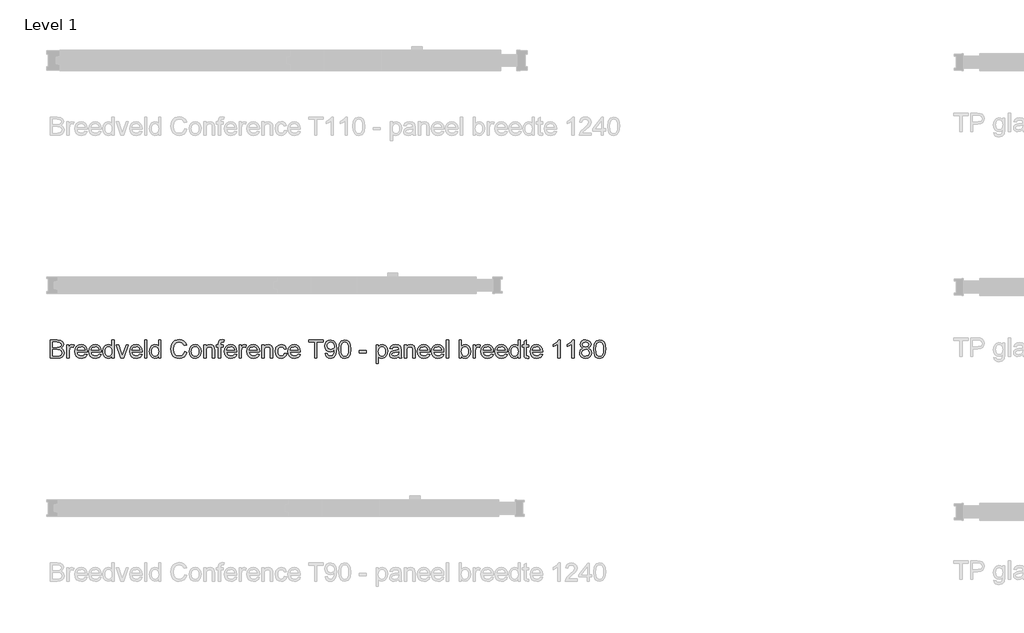
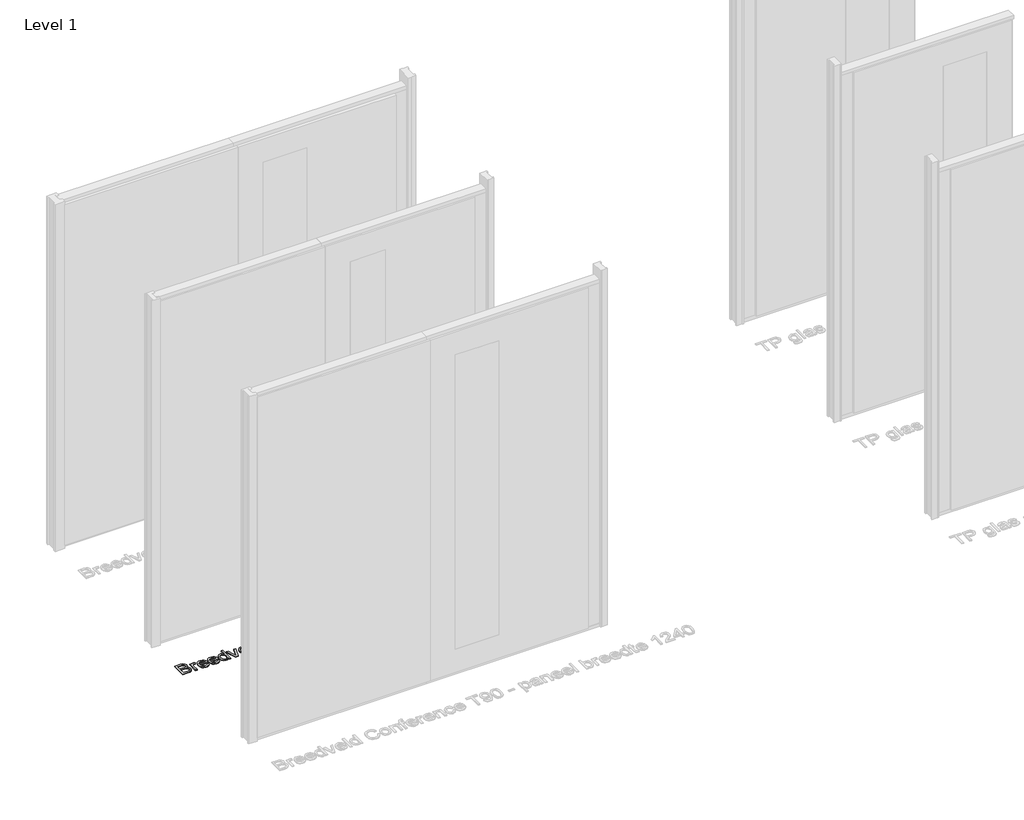
# One storey, part 5 of 17: 1 proxy.
"""IFC4 building model written with IfcOpenShell, lengths in millimetres."""

import ifcopenshell
import ifcopenshell.guid

model = None  # the IFC model being written
_history = None  # IfcOwnerHistory: only IFC2X3 demands one
_inside = {}  # id of a spatial element -> (the spatial element, [elements in it])
_under = {}  # id of a project, library or spatial element -> (it, [spatial elements below it])
_declared = {}  # id of a project -> (the project, [libraries it declares])
_typed = {}  # id of a type object -> (the type object, [elements of that type])
_made_of = {}  # id of a material, layer set ... -> (it, [elements and type objects made of it])


def new_model(schema):
    """Start an empty IFC model of exactly this schema.

    Asked for "IFC4X3", IfcOpenShell would pick the latest addendum, in which some entities
    have other attributes; the version numbers below select the first issue.
    IFC2X3 requires an IfcOwnerHistory on every rooted entity: one is made here for all.
    """
    global model, _history
    if schema == "IFC4X3":
        model = ifcopenshell.file(schema_version=(4, 3, 0, 0))
    else:
        model = ifcopenshell.file(schema=schema)
    _inside.clear()
    _under.clear()
    _declared.clear()
    _typed.clear()
    _made_of.clear()
    _history = None
    if model.schema == "IFC2X3":
        org = make("IfcOrganization", Name="unknown")
        user = make(
            "IfcPersonAndOrganization",
            ThePerson=make("IfcPerson", FamilyName="unknown"),
            TheOrganization=org,
        )
        app = make(
            "IfcApplication",
            ApplicationDeveloper=org,
            Version="unknown",
            ApplicationFullName="unknown",
            ApplicationIdentifier="unknown",
        )
        _history = make(
            "IfcOwnerHistory",
            OwningUser=user,
            OwningApplication=app,
            ChangeAction="ADDED",
            CreationDate=0,
        )
    return model


def make(cls, **values):
    """One entity of the class cls with the attributes given. An attribute that is None is left unset."""
    return model.create_entity(
        cls, **{name: value for name, value in values.items() if value is not None}
    )


def rooted(cls, **values):
    """An entity with a GlobalId (a new one), such as an element, a storey or a relation."""
    return make(cls, GlobalId=ifcopenshell.guid.new(), OwnerHistory=_history, **values)


def si_unit(unit_type, name, prefix=None):
    """IfcSIUnit, for example si_unit("LENGTHUNIT", "METRE", prefix="MILLI")."""
    return make("IfcSIUnit", UnitType=unit_type, Prefix=prefix, Name=name)


def assignment(units):
    """IfcUnitAssignment: the units of a project."""
    return None if units is None else make("IfcUnitAssignment", Units=units)


def point(xyz):
    """IfcCartesianPoint."""
    return None if xyz is None else make("IfcCartesianPoint", Coordinates=xyz)


def direction(xyz):
    """IfcDirection."""
    return None if xyz is None else make("IfcDirection", DirectionRatios=xyz)


def frame(location, z_axis=None, x_axis=None):
    """IfcAxis2Placement3D, a coordinate frame: its origin and axes. An axis left out is left unset."""
    return make(
        "IfcAxis2Placement3D",
        Location=point(location),
        Axis=direction(z_axis),
        RefDirection=direction(x_axis),
    )


def origin():
    """The frame at (0, 0, 0) with its axes left unset."""
    return frame((0.0, 0.0, 0.0))


def origin_with_axes():
    """The frame at (0, 0, 0) with the z axis (0, 0, 1) and the x axis (1, 0, 0) written out."""
    return frame((0.0, 0.0, 0.0), z_axis=(0.0, 0.0, 1.0), x_axis=(1.0, 0.0, 0.0))


def place(relative_to, where):
    """IfcLocalPlacement: puts the frame where relative to a parent placement (None: the world)."""
    return make(
        "IfcLocalPlacement", PlacementRelTo=relative_to, RelativePlacement=where
    )


def context(
    kind, dimensions, precision=None, world=None, true_north=None, identifier=None
):
    """IfcGeometricRepresentationContext, for example the 3D "Model" context."""
    return make(
        "IfcGeometricRepresentationContext",
        ContextIdentifier=identifier,
        ContextType=kind,
        CoordinateSpaceDimension=dimensions,
        Precision=precision,
        WorldCoordinateSystem=world,
        TrueNorth=true_north,
    )


def project(units=None, contexts=None):
    """IfcProject with its units and contexts."""
    return rooted(
        "IfcProject",
        Name="project",
        RepresentationContexts=contexts,
        UnitsInContext=assignment(units),
    )


def spatial(cls, under=None, at=None, **own):
    """A site, building, storey or space (cls), placed at a placement, below another one or the project."""
    s = rooted(cls, ObjectPlacement=at, **own)
    if under is not None:
        _under.setdefault(under.id(), (under, []))[1].append(s)
    return s


def polyline(points):
    """IfcPolyline through the points."""
    return make("IfcPolyline", Points=[point(p) for p in points])


def outline(outer, holes=None, kind="AREA"):
    """IfcArbitraryClosedProfileDef: a profile drawn as a closed curve; with holes, ...WithVoids."""
    if holes is None:
        return make("IfcArbitraryClosedProfileDef", ProfileType=kind, OuterCurve=outer)
    return make(
        "IfcArbitraryProfileDefWithVoids",
        ProfileType=kind,
        OuterCurve=outer,
        InnerCurves=holes,
    )


def extrude(swept, where, along, depth):
    """IfcExtrudedAreaSolid: the profile swept, set in the frame where, extruded along a direction by depth."""
    return make(
        "IfcExtrudedAreaSolid",
        SweptArea=swept,
        Position=where,
        ExtrudedDirection=direction(along),
        Depth=depth,
    )


def shape(context_of_items, identifier, shape_type, items):
    """IfcShapeRepresentation: the items that make up one representation, for example the "Body"."""
    return make(
        "IfcShapeRepresentation",
        ContextOfItems=context_of_items,
        RepresentationIdentifier=identifier,
        RepresentationType=shape_type,
        Items=items,
    )


def made_of(thing, what):
    """Note that an element or type object is made of a material, layer set ...; save() writes the relation."""
    if what is not None:
        _made_of.setdefault(what.id(), (what, []))[1].append(thing)
    return thing


def element(
    cls,
    number,
    at=None,
    inside=None,
    cuts=None,
    type_object=None,
    material=None,
    context=None,
    identifier="Body",
    shape_type=None,
    held_by="IfcProductDefinitionShape",
    body=None,
    shapes=None,
    **own,
):
    """One element of the class cls, such as IfcWall. Its Tag is "e" and its number.

    at: its placement. inside: the storey or other place that contains it. cuts: it is an
    opening in that element (IfcRelVoidsElement). A single representation is given by context,
    identifier, shape_type and body (its items); several are given by shapes. held_by: the class
    of the entity that holds the representations. save() writes the other relations.
    """
    e = rooted(cls, Tag="e%d" % number, ObjectPlacement=at, **own)
    if body is not None:
        shapes = [shape(context, identifier, shape_type, body)]
    if shapes is not None:
        e.Representation = make(held_by, Representations=shapes)
    if inside is not None:
        _inside.setdefault(inside.id(), (inside, []))[1].append(e)
    if cuts is not None:
        rooted(
            "IfcRelVoidsElement", RelatingBuildingElement=cuts, RelatedOpeningElement=e
        )
    if type_object is not None:
        _typed.setdefault(type_object.id(), (type_object, []))[1].append(e)
    return made_of(e, material)


def aggregate(whole, parts):
    """IfcRelAggregates: a whole, such as a stair, and the parts it consists of."""
    return rooted("IfcRelAggregates", RelatingObject=whole, RelatedObjects=parts)


def save(model, path):
    """Write the relations noted so far, then the file.

    IfcRelAggregates (storeys below a building ...), IfcRelContainedInSpatialStructure (elements
    in a storey), IfcRelDefinesByType, IfcRelAssociatesMaterial and IfcRelDeclares: one each for
    every whole, place, type object, material and project.
    """
    for whole, parts in _under.values():
        aggregate(whole, parts)
    for where, things in _inside.values():
        rooted(
            "IfcRelContainedInSpatialStructure",
            RelatedElements=things,
            RelatingStructure=where,
        )
    for kind, things in _typed.values():
        rooted("IfcRelDefinesByType", RelatedObjects=things, RelatingType=kind)
    for what, things in _made_of.values():
        rooted("IfcRelAssociatesMaterial", RelatedObjects=things, RelatingMaterial=what)
    for by, libraries in _declared.values():
        rooted("IfcRelDeclares", RelatingContext=by, RelatedDefinitions=libraries)
    model.write(path)


model = new_model("IFC4")

# Units and contexts
model_context = context("Model", 3, world=origin())
ifc_project = project(units=[si_unit("LENGTHUNIT", "METRE", prefix="MILLI")], contexts=[model_context])

# Site, building, storey
site = spatial("IfcSite", under=ifc_project)
building = spatial("IfcBuilding", under=site)
storey = spatial("IfcBuildingStorey", under=building, Name="Level 1", Elevation=0.0)

# Proxy
placement = place(None, origin())
element("IfcBuildingElementProxy", 1, Name="100 mm", ObjectType="100 mm", at=placement, inside=storey, context=model_context, shape_type="SweptSolid", body=[
    extrude(outline(polyline([(-17380.3580543, 1712.9418082), (-17380.3580543, 1811.4033467), (-17342.7859389, 1811.4033467), (-17324.3844966, 1808.5067121), (-17313.519112, 1799.6004621), (-17309.5888235, 1787.0043082), (-17312.894112, 1775.5019044), (-17322.8820927, 1766.7879621), (-17310.7546889, 1757.6052698), (-17306.5119004, 1742.2927698), (-17309.4085351, 1729.0595967), (-17316.5840158, 1719.6365198), (-17327.2931504, 1714.6365198), (-17343.0744004, 1712.9418082), (-17380.3580543, 1712.9418082)]), holes=[polyline([(-17368.050362, 1725.2495005), (-17342.8099774, 1725.2495005), (-17333.675362, 1725.7302698), (-17325.9469966, 1728.4105582), (-17320.8268043, 1733.8793082), (-17318.8195927, 1742.1725775), (-17321.175362, 1751.7398852), (-17328.8075735, 1757.4490198), (-17344.0119004, 1759.0956544), (-17368.050362, 1759.0956544), (-17368.050362, 1725.2495005)]), polyline([(-17368.050362, 1771.4033467), (-17345.5744004, 1771.4033467), (-17332.4494004, 1772.461039), (-17324.5527658, 1777.0163275), (-17321.8965158, 1785.0331544), (-17324.3724774, 1793.0620005), (-17331.4638235, 1797.8095967), (-17347.2811312, 1799.0956544), (-17368.050362, 1799.0956544), (-17368.050362, 1771.4033467)])]), origin_with_axes(), (0.0, 0.0, 1.0), 5.0),
    extrude(outline(polyline([(-17291.1272851, 1712.9418082), (-17291.1272851, 1785.2495005), (-17280.3580543, 1785.2495005), (-17280.3580543, 1774.5523852), (-17272.7138235, 1784.4081544), (-17265.0215158, 1786.7879621), (-17252.6657466, 1782.9898852), (-17256.7763235, 1771.9562313), (-17265.4301697, 1774.4802698), (-17272.3893043, 1772.0523852), (-17276.8244004, 1765.3216159), (-17278.8195927, 1750.9466159), (-17278.8195927, 1712.9418082), (-17291.1272851, 1712.9418082)])), origin_with_axes(), (0.0, 0.0, 1.0), 5.0),
    extrude(outline(polyline([(-17194.3484389, 1734.4802698), (-17182.2811312, 1732.9418082), (-17186.6290879, 1723.8492602), (-17193.5671889, 1717.0523852), (-17202.9391841, 1712.8156063), (-17214.5888235, 1711.4033467), (-17229.0299293, 1713.8402457), (-17240.1417081, 1721.1509429), (-17247.2270447, 1732.8606784), (-17249.5888235, 1748.4946929), (-17247.2030062, 1764.6545486), (-17240.0455543, 1776.7398852), (-17229.0840158, 1784.2759429), (-17215.2859389, 1786.7879621), (-17201.9175495, 1784.2819525), (-17191.2354581, 1776.7639236), (-17184.2312514, 1764.7026255), (-17181.8965158, 1748.5668082), (-17181.9686312, 1745.2495005), (-17237.2811312, 1745.2495005), (-17235.1507226, 1736.0367602), (-17230.2018043, 1729.2639236), (-17214.3484389, 1723.711039), (-17202.2811312, 1726.2831544), (-17194.3484389, 1734.4802698)]), holes=[polyline([(-17237.2811312, 1757.5571929), (-17194.2042081, 1757.5571929), (-17199.1320927, 1768.711039), (-17206.3075735, 1773.0379621), (-17215.3340158, 1774.4802698), (-17230.4902658, 1769.8769044), (-17237.2811312, 1757.5571929)])]), origin_with_axes(), (0.0, 0.0, 1.0), 5.0),
    extrude(outline(polyline([(-17118.9638235, 1734.4802698), (-17106.8965158, 1732.9418082), (-17111.2444726, 1723.8492602), (-17118.1825735, 1717.0523852), (-17127.5545687, 1712.8156063), (-17139.2042081, 1711.4033467), (-17153.6453139, 1713.8402457), (-17164.7570927, 1721.1509429), (-17171.8424293, 1732.8606784), (-17174.2042081, 1748.4946929), (-17171.8183908, 1764.6545486), (-17164.6609389, 1776.7398852), (-17153.6994004, 1784.2759429), (-17139.9013235, 1786.7879621), (-17126.5329341, 1784.2819525), (-17115.8508427, 1776.7639236), (-17108.846636, 1764.7026255), (-17106.5119004, 1748.5668082), (-17106.5840158, 1745.2495005), (-17161.8965158, 1745.2495005), (-17159.7661072, 1736.0367602), (-17154.8171889, 1729.2639236), (-17138.9638235, 1723.711039), (-17126.8965158, 1726.2831544), (-17118.9638235, 1734.4802698)]), holes=[polyline([(-17161.8965158, 1757.5571929), (-17118.8195927, 1757.5571929), (-17123.7474774, 1768.711039), (-17130.9229581, 1773.0379621), (-17139.9494004, 1774.4802698), (-17155.1056504, 1769.8769044), (-17161.8965158, 1757.5571929)])]), origin_with_axes(), (0.0, 0.0, 1.0), 5.0),
    extrude(outline(polyline([(-17049.5888235, 1712.9418082), (-17049.5888235, 1724.5523852), (-17057.7318524, 1714.6906063), (-17068.987862, 1711.4033467), (-17084.2282466, 1716.1629621), (-17094.9974774, 1729.4442121), (-17098.8195927, 1749.023539), (-17095.2979581, 1768.6148852), (-17084.7450735, 1782.1004621), (-17069.0359389, 1786.7879621), (-17057.6897851, 1783.4345967), (-17049.5888235, 1774.7206544), (-17049.5888235, 1811.4033467), (-17037.2811312, 1811.4033467), (-17037.2811312, 1712.9418082), (-17049.5888235, 1712.9418082)]), holes=[polyline([(-17086.5119004, 1749.0716159), (-17085.1236793, 1737.9388034), (-17080.9590158, 1730.0211352), (-17074.9073331, 1725.288563), (-17067.8580543, 1723.711039), (-17060.8117802, 1725.2164477), (-17054.9133427, 1729.7326736), (-17050.9199533, 1737.3438515), (-17049.5888235, 1748.1341159), (-17050.9439918, 1759.9309909), (-17055.0094966, 1768.1100775), (-17061.0581745, 1772.8877217), (-17068.362862, 1774.4802698), (-17075.4842562, 1772.9508227), (-17081.3195927, 1768.3624813), (-17085.2138235, 1760.4808707), (-17086.5119004, 1749.0716159)])]), origin_with_axes(), (0.0, 0.0, 1.0), 5.0),
    extrude(outline(polyline([(-17001.0792081, 1712.9418082), (-17026.5119004, 1785.2495005), (-17013.4830543, 1785.2495005), (-16998.0744004, 1741.9321929), (-16993.4349774, 1727.3648852), (-16988.8917081, 1741.1148852), (-16973.3869004, 1785.2495005), (-16960.3580543, 1785.2495005), (-16985.4782466, 1712.9418082), (-17001.0792081, 1712.9418082)])), origin_with_axes(), (0.0, 0.0, 1.0), 5.0),
    extrude(outline(polyline([(-16898.9638235, 1734.4802698), (-16886.8965158, 1732.9418082), (-16891.2444726, 1723.8492602), (-16898.1825735, 1717.0523852), (-16907.5545687, 1712.8156063), (-16919.2042081, 1711.4033467), (-16933.6453139, 1713.8402457), (-16944.7570927, 1721.1509429), (-16951.8424293, 1732.8606784), (-16954.2042081, 1748.4946929), (-16951.8183908, 1764.6545486), (-16944.6609389, 1776.7398852), (-16933.6994004, 1784.2759429), (-16919.9013235, 1786.7879621), (-16906.5329341, 1784.2819525), (-16895.8508427, 1776.7639236), (-16888.846636, 1764.7026255), (-16886.5119004, 1748.5668082), (-16886.5840158, 1745.2495005), (-16941.8965158, 1745.2495005), (-16939.7661072, 1736.0367602), (-16934.8171889, 1729.2639236), (-16918.9638235, 1723.711039), (-16906.8965158, 1726.2831544), (-16898.9638235, 1734.4802698)]), holes=[polyline([(-16941.8965158, 1757.5571929), (-16898.8195927, 1757.5571929), (-16903.7474774, 1768.711039), (-16910.9229581, 1773.0379621), (-16919.9494004, 1774.4802698), (-16935.1056504, 1769.8769044), (-16941.8965158, 1757.5571929)])]), origin_with_axes(), (0.0, 0.0, 1.0), 5.0),
    extrude(outline(polyline([(-16874.2042081, 1712.9418082), (-16874.2042081, 1811.4033467), (-16861.8965158, 1811.4033467), (-16861.8965158, 1712.9418082), (-16874.2042081, 1712.9418082)])), origin_with_axes(), (0.0, 0.0, 1.0), 5.0),
    extrude(outline(polyline([(-16798.8195927, 1712.9418082), (-16798.8195927, 1724.5523852), (-16806.9626216, 1714.6906063), (-16818.2186312, 1711.4033467), (-16833.4590158, 1716.1629621), (-16844.2282466, 1729.4442121), (-16848.050362, 1749.023539), (-16844.5287274, 1768.6148852), (-16833.9758427, 1782.1004621), (-16818.2667081, 1786.7879621), (-16806.9205543, 1783.4345967), (-16798.8195927, 1774.7206544), (-16798.8195927, 1811.4033467), (-16786.5119004, 1811.4033467), (-16786.5119004, 1712.9418082), (-16798.8195927, 1712.9418082)]), holes=[polyline([(-16835.7426697, 1749.0716159), (-16834.3544485, 1737.9388034), (-16830.1897851, 1730.0211352), (-16824.1381024, 1725.288563), (-16817.0888235, 1723.711039), (-16810.0425495, 1725.2164477), (-16804.144112, 1729.7326736), (-16800.1507226, 1737.3438515), (-16798.8195927, 1748.1341159), (-16800.174761, 1759.9309909), (-16804.2402658, 1768.1100775), (-16810.2889437, 1772.8877217), (-16817.5936312, 1774.4802698), (-16824.7150254, 1772.9508227), (-16830.550362, 1768.3624813), (-16834.4445927, 1760.4808707), (-16835.7426697, 1749.0716159)])]), origin_with_axes(), (0.0, 0.0, 1.0), 5.0),
    extrude(outline(polyline([(-16658.8195927, 1747.9418082), (-16646.5119004, 1744.7687313), (-16652.190987, 1730.4267842), (-16661.1032466, 1719.9490198), (-16672.8099774, 1713.539765), (-16686.8724774, 1711.4033467), (-16701.1483187, 1713.0199332), (-16712.4854581, 1717.8696929), (-16721.175362, 1725.7843563), (-16727.5094966, 1736.5956544), (-16732.6657466, 1762.9177698), (-16731.2084149, 1777.2747409), (-16726.8364197, 1789.6725775), (-16719.7781264, 1799.7176496), (-16710.2619004, 1807.0163275), (-16686.6080543, 1812.9418082), (-16673.1134629, 1811.0247409), (-16661.956612, 1805.273539), (-16653.4860591, 1796.0427698), (-16648.050362, 1783.6870005), (-16660.3580543, 1780.7543082), (-16670.4542081, 1795.8865198), (-16687.0888235, 1800.6341159), (-16706.3436312, 1795.3696929), (-16717.2210351, 1781.2350775), (-16720.3580543, 1762.9418082), (-16716.644112, 1741.7398852), (-16705.081612, 1728.1942121), (-16688.0984389, 1723.711039), (-16677.8250014, 1725.2374813), (-16669.2643043, 1729.8168082), (-16662.8009629, 1737.4009429), (-16658.8195927, 1747.9418082)])), origin_with_axes(), (0.0, 0.0, 1.0), 5.0),
    extrude(outline(polyline([(-16634.2042081, 1749.0956544), (-16631.5419485, 1766.5295486), (-16623.5551697, 1778.7831544), (-16613.6873812, 1784.7867602), (-16601.8724774, 1786.7879621), (-16588.9427899, 1784.351063), (-16578.6152658, 1777.0403659), (-16571.8454341, 1765.4327938), (-16569.5888235, 1750.1052698), (-16573.5792081, 1728.2062313), (-16585.2018043, 1715.8144044), (-16601.8724774, 1711.4033467), (-16614.9584149, 1713.8312313), (-16625.2739197, 1721.1148852), (-16631.971636, 1732.9658467), (-16634.2042081, 1749.0956544)]), holes=[polyline([(-16621.8965158, 1749.1196929), (-16620.472237, 1737.9808707), (-16616.1994004, 1730.0451736), (-16609.769112, 1725.2945727), (-16601.8724774, 1723.711039), (-16594.0119004, 1725.3035871), (-16587.5936312, 1730.0812313), (-16583.3207947, 1738.1220967), (-16581.8965158, 1749.5043082), (-16583.3298091, 1760.3186111), (-16587.6296889, 1768.1461352), (-16594.0569726, 1772.8967361), (-16601.8724774, 1774.4802698), (-16609.769112, 1772.9027457), (-16616.1994004, 1768.1701736), (-16620.472237, 1760.2525054), (-16621.8965158, 1749.1196929)])]), origin_with_axes(), (0.0, 0.0, 1.0), 5.0),
    extrude(outline(polyline([(-16555.7426697, 1712.9418082), (-16555.7426697, 1785.2495005), (-16543.4349774, 1785.2495005), (-16543.4349774, 1775.1533467), (-16534.0239197, 1783.8793082), (-16521.175362, 1786.7879621), (-16509.5527658, 1784.4442121), (-16501.6200735, 1778.2903659), (-16497.9301697, 1769.2398852), (-16497.2811312, 1757.3408467), (-16497.2811312, 1712.9418082), (-16509.5888235, 1712.9418082), (-16509.5888235, 1755.6821929), (-16511.0070927, 1766.5716159), (-16516.019112, 1772.3288275), (-16524.4686312, 1774.4802698), (-16537.8219966, 1769.648539), (-16542.0317322, 1762.6473371), (-16543.4349774, 1751.3071929), (-16543.4349774, 1712.9418082), (-16555.7426697, 1712.9418082)])), origin_with_axes(), (0.0, 0.0, 1.0), 5.0),
    extrude(outline(polyline([(-16477.2811312, 1712.9418082), (-16477.2811312, 1772.9418082), (-16488.050362, 1772.9418082), (-16488.050362, 1785.2495005), (-16477.2811312, 1785.2495005), (-16477.2811312, 1792.5331544), (-16475.9830543, 1802.7975775), (-16469.6849774, 1810.1293082), (-16457.2811312, 1812.9418082), (-16446.0551697, 1811.5956544), (-16447.8580543, 1800.0571929), (-16454.9494004, 1800.6341159), (-16462.7018043, 1798.5908467), (-16464.9734389, 1790.9706544), (-16464.9734389, 1785.2495005), (-16451.1272851, 1785.2495005), (-16451.1272851, 1772.9418082), (-16464.9734389, 1772.9418082), (-16464.9734389, 1712.9418082), (-16477.2811312, 1712.9418082)])), origin_with_axes(), (0.0, 0.0, 1.0), 5.0),
    extrude(outline(polyline([(-16389.7330543, 1734.4802698), (-16377.6657466, 1732.9418082), (-16382.0137033, 1723.8492602), (-16388.9518043, 1717.0523852), (-16398.3237995, 1712.8156063), (-16409.9734389, 1711.4033467), (-16424.4145447, 1713.8402457), (-16435.5263235, 1721.1509429), (-16442.6116601, 1732.8606784), (-16444.9734389, 1748.4946929), (-16442.5876216, 1764.6545486), (-16435.4301697, 1776.7398852), (-16424.4686312, 1784.2759429), (-16410.6705543, 1786.7879621), (-16397.3021649, 1784.2819525), (-16386.6200735, 1776.7639236), (-16379.6158668, 1764.7026255), (-16377.2811312, 1748.5668082), (-16377.3532466, 1745.2495005), (-16432.6657466, 1745.2495005), (-16430.5353379, 1736.0367602), (-16425.5864197, 1729.2639236), (-16409.7330543, 1723.711039), (-16397.6657466, 1726.2831544), (-16389.7330543, 1734.4802698)]), holes=[polyline([(-16432.6657466, 1757.5571929), (-16389.5888235, 1757.5571929), (-16394.5167081, 1768.711039), (-16401.6921889, 1773.0379621), (-16410.7186312, 1774.4802698), (-16425.8748812, 1769.8769044), (-16432.6657466, 1757.5571929)])]), origin_with_axes(), (0.0, 0.0, 1.0), 5.0),
    extrude(outline(polyline([(-16364.9734389, 1712.9418082), (-16364.9734389, 1785.2495005), (-16354.2042081, 1785.2495005), (-16354.2042081, 1774.5523852), (-16346.5599774, 1784.4081544), (-16338.8676697, 1786.7879621), (-16326.5119004, 1782.9898852), (-16330.6224774, 1771.9562313), (-16339.2763235, 1774.4802698), (-16346.2354581, 1772.0523852), (-16350.6705543, 1765.3216159), (-16352.6657466, 1750.9466159), (-16352.6657466, 1712.9418082), (-16364.9734389, 1712.9418082)])), origin_with_axes(), (0.0, 0.0, 1.0), 5.0),
    extrude(outline(polyline([(-16268.1945927, 1734.4802698), (-16256.1272851, 1732.9418082), (-16260.4752418, 1723.8492602), (-16267.4133427, 1717.0523852), (-16276.7853379, 1712.8156063), (-16288.4349774, 1711.4033467), (-16302.8760831, 1713.8402457), (-16313.987862, 1721.1509429), (-16321.0731985, 1732.8606784), (-16323.4349774, 1748.4946929), (-16321.0491601, 1764.6545486), (-16313.8917081, 1776.7398852), (-16302.9301697, 1784.2759429), (-16289.1320927, 1786.7879621), (-16275.7637033, 1784.2819525), (-16265.081612, 1776.7639236), (-16258.0774052, 1764.7026255), (-16255.7426697, 1748.5668082), (-16255.8147851, 1745.2495005), (-16311.1272851, 1745.2495005), (-16308.9968764, 1736.0367602), (-16304.0479581, 1729.2639236), (-16288.1945927, 1723.711039), (-16276.1272851, 1726.2831544), (-16268.1945927, 1734.4802698)]), holes=[polyline([(-16311.1272851, 1757.5571929), (-16268.050362, 1757.5571929), (-16272.9782466, 1768.711039), (-16280.1537274, 1773.0379621), (-16289.1801697, 1774.4802698), (-16304.3364197, 1769.8769044), (-16311.1272851, 1757.5571929)])]), origin_with_axes(), (0.0, 0.0, 1.0), 5.0),
    extrude(outline(polyline([(-16243.4349774, 1712.9418082), (-16243.4349774, 1785.2495005), (-16231.1272851, 1785.2495005), (-16231.1272851, 1775.1533467), (-16221.7162274, 1783.8793082), (-16208.8676697, 1786.7879621), (-16197.2450735, 1784.4442121), (-16189.3123812, 1778.2903659), (-16185.6224774, 1769.2398852), (-16184.9734389, 1757.3408467), (-16184.9734389, 1712.9418082), (-16197.2811312, 1712.9418082), (-16197.2811312, 1755.6821929), (-16198.6994004, 1766.5716159), (-16203.7114197, 1772.3288275), (-16212.1609389, 1774.4802698), (-16225.5143043, 1769.648539), (-16229.7240399, 1762.6473371), (-16231.1272851, 1751.3071929), (-16231.1272851, 1712.9418082), (-16243.4349774, 1712.9418082)])), origin_with_axes(), (0.0, 0.0, 1.0), 5.0),
    extrude(outline(polyline([(-16121.8965158, 1739.0956544), (-16109.5888235, 1737.5571929), (-16113.0203139, 1726.6106784), (-16119.4686312, 1718.3384429), (-16128.3268043, 1713.1371207), (-16138.987862, 1711.4033467), (-16152.0798091, 1713.8222169), (-16162.3171889, 1721.0788275), (-16168.924761, 1732.8546688), (-16171.1272851, 1748.8312313), (-16167.3652658, 1769.2759429), (-16155.8989197, 1782.4129621), (-16139.1561312, 1786.7879621), (-16128.7564918, 1785.2855582), (-16120.4421889, 1780.7783467), (-16114.4776456, 1773.5067121), (-16111.1272851, 1763.711039), (-16123.4349774, 1762.1725775), (-16129.144112, 1771.3913275), (-16139.0599774, 1774.4802698), (-16147.0137033, 1772.9598371), (-16153.3268043, 1768.398539), (-16157.4463956, 1760.5499813), (-16158.8195927, 1749.1677698), (-16157.4764437, 1737.632313), (-16153.4469966, 1729.7567121), (-16147.2480783, 1725.2224573), (-16139.3965158, 1723.711039), (-16127.7979581, 1727.4850775), (-16121.8965158, 1739.0956544)])), origin_with_axes(), (0.0, 0.0, 1.0), 5.0),
    extrude(outline(polyline([(-16048.1945927, 1734.4802698), (-16036.1272851, 1732.9418082), (-16040.4752418, 1723.8492602), (-16047.4133427, 1717.0523852), (-16056.7853379, 1712.8156063), (-16068.4349774, 1711.4033467), (-16082.8760831, 1713.8402457), (-16093.987862, 1721.1509429), (-16101.0731985, 1732.8606784), (-16103.4349774, 1748.4946929), (-16101.0491601, 1764.6545486), (-16093.8917081, 1776.7398852), (-16082.9301697, 1784.2759429), (-16069.1320927, 1786.7879621), (-16055.7637033, 1784.2819525), (-16045.081612, 1776.7639236), (-16038.0774052, 1764.7026255), (-16035.7426697, 1748.5668082), (-16035.8147851, 1745.2495005), (-16091.1272851, 1745.2495005), (-16088.9968764, 1736.0367602), (-16084.0479581, 1729.2639236), (-16068.1945927, 1723.711039), (-16056.1272851, 1726.2831544), (-16048.1945927, 1734.4802698)]), holes=[polyline([(-16091.1272851, 1757.5571929), (-16048.050362, 1757.5571929), (-16052.9782466, 1768.711039), (-16060.1537274, 1773.0379621), (-16069.1801697, 1774.4802698), (-16084.3364197, 1769.8769044), (-16091.1272851, 1757.5571929)])]), origin_with_axes(), (0.0, 0.0, 1.0), 5.0),
    extrude(outline(polyline([(-15958.8195927, 1712.9418082), (-15958.8195927, 1799.0956544), (-15991.1272851, 1799.0956544), (-15991.1272851, 1811.4033467), (-15914.2042081, 1811.4033467), (-15914.2042081, 1799.0956544), (-15946.5119004, 1799.0956544), (-15946.5119004, 1712.9418082), (-15958.8195927, 1712.9418082)])), origin_with_axes(), (0.0, 0.0, 1.0), 5.0),
    extrude(outline(polyline([(-15903.4349774, 1737.5571929), (-15891.1272851, 1739.0956544), (-15885.5984389, 1727.3528659), (-15875.1176697, 1723.711039), (-15865.1537274, 1726.054789), (-15858.3989197, 1732.3168082), (-15854.3724774, 1743.0139236), (-15852.5936312, 1757.2927698), (-15852.6657466, 1759.6966159), (-15862.5094966, 1750.3696929), (-15876.0070927, 1746.7879621), (-15887.2300495, 1748.9754621), (-15896.5719966, 1755.5379621), (-15902.8730783, 1765.6761832), (-15904.9734389, 1778.5908467), (-15902.7709149, 1791.9321929), (-15896.1633427, 1802.3889236), (-15886.2384629, 1809.1497409), (-15874.0840158, 1811.4033467), (-15856.5479581, 1806.2591159), (-15844.4806504, 1791.5956544), (-15840.3580543, 1764.0475775), (-15844.4686312, 1734.1557505), (-15856.6921889, 1717.2206544), (-15865.4992802, 1712.8576736), (-15875.6945927, 1711.4033467), (-15886.2174293, 1713.1190919), (-15894.612862, 1718.2663275), (-15900.4842562, 1726.5205342), (-15903.4349774, 1737.5571929)]), holes=[polyline([(-15852.6657466, 1778.8793082), (-15857.9782466, 1793.6389236), (-15872.0888235, 1799.0956544), (-15880.3099774, 1797.6263034), (-15886.8965158, 1793.2182505), (-15891.2234389, 1786.4724573), (-15892.6657466, 1777.9898852), (-15887.2090158, 1764.3480582), (-15872.425362, 1759.0956544), (-15858.2306504, 1764.3480582), (-15854.0569726, 1770.6070727), (-15852.6657466, 1778.8793082)])]), origin_with_axes(), (0.0, 0.0, 1.0), 5.0),
    extrude(outline(polyline([(-15829.5888235, 1761.3793082), (-15825.9710351, 1789.7086352), (-15815.2258427, 1806.0427698), (-15797.2811312, 1811.4033467), (-15782.9061312, 1808.2302698), (-15772.9782466, 1799.0836352), (-15767.2090158, 1784.5163275), (-15764.9734389, 1761.3793082), (-15768.5551697, 1733.1701736), (-15779.2643043, 1716.7999813), (-15797.2811312, 1711.4033467), (-15810.0695927, 1713.7470967), (-15819.7811312, 1720.7783467), (-15827.1369004, 1737.4309909), (-15829.5888235, 1761.3793082)]), holes=[polyline([(-15817.2811312, 1761.4033467), (-15815.8388235, 1742.0433707), (-15811.5119004, 1730.8384429), (-15805.0695927, 1725.49289), (-15797.2811312, 1723.711039), (-15789.4926697, 1725.4988996), (-15783.050362, 1730.8624813), (-15778.7234389, 1742.0734188), (-15777.2811312, 1761.4033467), (-15778.675362, 1780.3276255), (-15782.8580543, 1791.6196929), (-15789.2883427, 1797.226664), (-15797.425362, 1799.0956544), (-15805.1296889, 1797.4490198), (-15811.3195927, 1792.5091159), (-15815.7907466, 1780.5139236), (-15817.2811312, 1761.4033467)])]), origin_with_axes(), (0.0, 0.0, 1.0), 5.0),
    extrude(outline(polyline([(-15718.8195927, 1742.1725775), (-15718.8195927, 1754.4802698), (-15680.3580543, 1754.4802698), (-15680.3580543, 1742.1725775), (-15718.8195927, 1742.1725775)])), origin_with_axes(), (0.0, 0.0, 1.0), 5.0),
    extrude(outline(polyline([(-15628.050362, 1685.2495005), (-15628.050362, 1785.2495005), (-15615.7426697, 1785.2495005), (-15615.7426697, 1773.1821929), (-15607.2330543, 1783.3865198), (-15595.7426697, 1786.7879621), (-15580.1417081, 1782.0283467), (-15569.9494004, 1768.6148852), (-15566.5119004, 1749.648539), (-15570.394112, 1729.7086352), (-15581.6681504, 1716.1269044), (-15597.2330543, 1711.4033467), (-15607.9421889, 1714.5644044), (-15615.7426697, 1722.5571929), (-15615.7426697, 1685.2495005), (-15628.050362, 1685.2495005)]), holes=[polyline([(-15615.7426697, 1748.5187313), (-15614.4115399, 1737.4850775), (-15610.4181504, 1729.7687313), (-15604.5257226, 1725.2254621), (-15597.4974774, 1723.711039), (-15590.3550495, 1725.2795486), (-15584.3123812, 1729.9850775), (-15580.1927899, 1737.9838755), (-15578.8195927, 1749.4321929), (-15580.159737, 1760.4057505), (-15584.1801697, 1768.2302698), (-15590.0635831, 1772.9177698), (-15596.9926697, 1774.4802698), (-15603.9487995, 1772.8186111), (-15610.0575735, 1767.8336352), (-15614.3213956, 1759.6815919), (-15615.7426697, 1748.5187313)])]), origin_with_axes(), (0.0, 0.0, 1.0), 5.0),
    extrude(outline(polyline([(-15506.5119004, 1722.1725775), (-15518.4469966, 1713.8312313), (-15531.6320927, 1711.4033467), (-15541.9175495, 1712.8636832), (-15549.5046889, 1717.2446929), (-15554.1831745, 1723.8973371), (-15555.7426697, 1732.1725775), (-15553.3869004, 1741.9081544), (-15547.1969966, 1748.9754621), (-15538.5792081, 1753.0139236), (-15527.9301697, 1754.8648852), (-15506.5840158, 1759.0956544), (-15506.5119004, 1761.836039), (-15509.9013235, 1770.9225775), (-15523.5070927, 1774.4802698), (-15535.9590158, 1772.1124813), (-15541.8965158, 1763.711039), (-15554.2042081, 1765.2495005), (-15548.8796889, 1777.2687313), (-15538.1585351, 1784.3120005), (-15521.9205543, 1786.7879621), (-15507.0046889, 1784.6004621), (-15498.5792081, 1779.1076736), (-15494.8051697, 1770.7543082), (-15494.2042081, 1759.9850775), (-15494.2042081, 1744.6725775), (-15493.5792081, 1723.2903659), (-15491.1272851, 1712.9418082), (-15503.4349774, 1712.9418082), (-15506.5119004, 1722.1725775)]), holes=[polyline([(-15506.5119004, 1746.7879621), (-15526.3676697, 1743.0139236), (-15536.956612, 1741.0187313), (-15541.7522851, 1737.773539), (-15543.4349774, 1733.0379621), (-15539.769112, 1726.3793082), (-15529.0119004, 1723.711039), (-15516.5599774, 1726.6557505), (-15508.5311312, 1733.7831544), (-15506.5840158, 1743.3023852), (-15506.5119004, 1746.7879621)])]), origin_with_axes(), (0.0, 0.0, 1.0), 5.0),
    extrude(outline(polyline([(-15477.2811312, 1712.9418082), (-15477.2811312, 1785.2495005), (-15464.9734389, 1785.2495005), (-15464.9734389, 1775.1533467), (-15455.5623812, 1783.8793082), (-15442.7138235, 1786.7879621), (-15431.0912274, 1784.4442121), (-15423.1585351, 1778.2903659), (-15419.4686312, 1769.2398852), (-15418.8195927, 1757.3408467), (-15418.8195927, 1712.9418082), (-15431.1272851, 1712.9418082), (-15431.1272851, 1755.6821929), (-15432.5455543, 1766.5716159), (-15437.5575735, 1772.3288275), (-15446.0070927, 1774.4802698), (-15459.3604581, 1769.648539), (-15463.5701937, 1762.6473371), (-15464.9734389, 1751.3071929), (-15464.9734389, 1712.9418082), (-15477.2811312, 1712.9418082)])), origin_with_axes(), (0.0, 0.0, 1.0), 5.0),
    extrude(outline(polyline([(-15351.2715158, 1734.4802698), (-15339.2042081, 1732.9418082), (-15343.5521649, 1723.8492602), (-15350.4902658, 1717.0523852), (-15359.862261, 1712.8156063), (-15371.5119004, 1711.4033467), (-15385.9530062, 1713.8402457), (-15397.0647851, 1721.1509429), (-15404.1501216, 1732.8606784), (-15406.5119004, 1748.4946929), (-15404.1260831, 1764.6545486), (-15396.9686312, 1776.7398852), (-15386.0070927, 1784.2759429), (-15372.2090158, 1786.7879621), (-15358.8406264, 1784.2819525), (-15348.1585351, 1776.7639236), (-15341.1543283, 1764.7026255), (-15338.8195927, 1748.5668082), (-15338.8917081, 1745.2495005), (-15394.2042081, 1745.2495005), (-15392.0737995, 1736.0367602), (-15387.1248812, 1729.2639236), (-15371.2715158, 1723.711039), (-15359.2042081, 1726.2831544), (-15351.2715158, 1734.4802698)]), holes=[polyline([(-15394.2042081, 1757.5571929), (-15351.1272851, 1757.5571929), (-15356.0551697, 1768.711039), (-15363.2306504, 1773.0379621), (-15372.2570927, 1774.4802698), (-15387.4133427, 1769.8769044), (-15394.2042081, 1757.5571929)])]), origin_with_axes(), (0.0, 0.0, 1.0), 5.0),
    extrude(outline(polyline([(-15275.8869004, 1734.4802698), (-15263.8195927, 1732.9418082), (-15268.1675495, 1723.8492602), (-15275.1056504, 1717.0523852), (-15284.4776456, 1712.8156063), (-15296.1272851, 1711.4033467), (-15310.5683908, 1713.8402457), (-15321.6801697, 1721.1509429), (-15328.7655062, 1732.8606784), (-15331.1272851, 1748.4946929), (-15328.7414677, 1764.6545486), (-15321.5840158, 1776.7398852), (-15310.6224774, 1784.2759429), (-15296.8244004, 1786.7879621), (-15283.456011, 1784.2819525), (-15272.7739197, 1776.7639236), (-15265.7697129, 1764.7026255), (-15263.4349774, 1748.5668082), (-15263.5070927, 1745.2495005), (-15318.8195927, 1745.2495005), (-15316.6891841, 1736.0367602), (-15311.7402658, 1729.2639236), (-15295.8869004, 1723.711039), (-15283.8195927, 1726.2831544), (-15275.8869004, 1734.4802698)]), holes=[polyline([(-15318.8195927, 1757.5571929), (-15275.7426697, 1757.5571929), (-15280.6705543, 1768.711039), (-15287.8460351, 1773.0379621), (-15296.8724774, 1774.4802698), (-15312.0287274, 1769.8769044), (-15318.8195927, 1757.5571929)])]), origin_with_axes(), (0.0, 0.0, 1.0), 5.0),
    extrude(outline(polyline([(-15251.1272851, 1712.9418082), (-15251.1272851, 1811.4033467), (-15238.8195927, 1811.4033467), (-15238.8195927, 1712.9418082), (-15251.1272851, 1712.9418082)])), origin_with_axes(), (0.0, 0.0, 1.0), 5.0),
    extrude(outline(polyline([(-15169.5888235, 1712.9418082), (-15181.8965158, 1712.9418082), (-15181.8965158, 1811.4033467), (-15169.5888235, 1811.4033467), (-15169.5888235, 1774.8889236), (-15160.9710351, 1783.8132025), (-15150.2619004, 1786.7879621), (-15137.9301697, 1784.1076736), (-15128.362862, 1776.5716159), (-15122.4854581, 1764.8528659), (-15120.3580543, 1750.1773852), (-15122.5605783, 1733.7470967), (-15129.1681504, 1721.523539), (-15138.8646649, 1713.9333948), (-15150.3340158, 1711.4033467), (-15161.2775254, 1714.6665679), (-15169.5888235, 1724.4562313), (-15169.5888235, 1712.9418082)]), holes=[polyline([(-15169.5888235, 1749.6004621), (-15166.2234389, 1732.3889236), (-15159.7751216, 1725.8805102), (-15151.3917081, 1723.711039), (-15144.2883427, 1725.3095967), (-15138.2186312, 1730.1052698), (-15134.0539677, 1738.0680102), (-15132.6657466, 1749.1677698), (-15133.9968764, 1760.429789), (-15137.9902658, 1768.3023852), (-15143.8706745, 1772.9357986), (-15150.862862, 1774.4802698), (-15157.9662274, 1772.8817121), (-15164.0359389, 1768.086039), (-15168.2006024, 1760.2675294), (-15169.5888235, 1749.6004621)])]), origin_with_axes(), (0.0, 0.0, 1.0), 5.0),
    extrude(outline(polyline([(-15106.5119004, 1712.9418082), (-15106.5119004, 1785.2495005), (-15095.7426697, 1785.2495005), (-15095.7426697, 1774.5523852), (-15088.0984389, 1784.4081544), (-15080.4061312, 1786.7879621), (-15068.050362, 1782.9898852), (-15072.1609389, 1771.9562313), (-15080.8147851, 1774.4802698), (-15087.7739197, 1772.0523852), (-15092.2090158, 1765.3216159), (-15094.2042081, 1750.9466159), (-15094.2042081, 1712.9418082), (-15106.5119004, 1712.9418082)])), origin_with_axes(), (0.0, 0.0, 1.0), 5.0),
    extrude(outline(polyline([(-15009.7330543, 1734.4802698), (-14997.6657466, 1732.9418082), (-15002.0137033, 1723.8492602), (-15008.9518043, 1717.0523852), (-15018.3237995, 1712.8156063), (-15029.9734389, 1711.4033467), (-15044.4145447, 1713.8402457), (-15055.5263235, 1721.1509429), (-15062.6116601, 1732.8606784), (-15064.9734389, 1748.4946929), (-15062.5876216, 1764.6545486), (-15055.4301697, 1776.7398852), (-15044.4686312, 1784.2759429), (-15030.6705543, 1786.7879621), (-15017.3021649, 1784.2819525), (-15006.6200735, 1776.7639236), (-14999.6158668, 1764.7026255), (-14997.2811312, 1748.5668082), (-14997.3532466, 1745.2495005), (-15052.6657466, 1745.2495005), (-15050.5353379, 1736.0367602), (-15045.5864197, 1729.2639236), (-15029.7330543, 1723.711039), (-15017.6657466, 1726.2831544), (-15009.7330543, 1734.4802698)]), holes=[polyline([(-15052.6657466, 1757.5571929), (-15009.5888235, 1757.5571929), (-15014.5167081, 1768.711039), (-15021.6921889, 1773.0379621), (-15030.7186312, 1774.4802698), (-15045.8748812, 1769.8769044), (-15052.6657466, 1757.5571929)])]), origin_with_axes(), (0.0, 0.0, 1.0), 5.0),
    extrude(outline(polyline([(-14934.3484389, 1734.4802698), (-14922.2811312, 1732.9418082), (-14926.6290879, 1723.8492602), (-14933.5671889, 1717.0523852), (-14942.9391841, 1712.8156063), (-14954.5888235, 1711.4033467), (-14969.0299293, 1713.8402457), (-14980.1417081, 1721.1509429), (-14987.2270447, 1732.8606784), (-14989.5888235, 1748.4946929), (-14987.2030062, 1764.6545486), (-14980.0455543, 1776.7398852), (-14969.0840158, 1784.2759429), (-14955.2859389, 1786.7879621), (-14941.9175495, 1784.2819525), (-14931.2354581, 1776.7639236), (-14924.2312514, 1764.7026255), (-14921.8965158, 1748.5668082), (-14921.9686312, 1745.2495005), (-14977.2811312, 1745.2495005), (-14975.1507226, 1736.0367602), (-14970.2018043, 1729.2639236), (-14954.3484389, 1723.711039), (-14942.2811312, 1726.2831544), (-14934.3484389, 1734.4802698)]), holes=[polyline([(-14977.2811312, 1757.5571929), (-14934.2042081, 1757.5571929), (-14939.1320927, 1768.711039), (-14946.3075735, 1773.0379621), (-14955.3340158, 1774.4802698), (-14970.4902658, 1769.8769044), (-14977.2811312, 1757.5571929)])]), origin_with_axes(), (0.0, 0.0, 1.0), 5.0),
    extrude(outline(polyline([(-14864.9734389, 1712.9418082), (-14864.9734389, 1724.5523852), (-14873.1164677, 1714.6906063), (-14884.3724774, 1711.4033467), (-14899.612862, 1716.1629621), (-14910.3820927, 1729.4442121), (-14914.2042081, 1749.023539), (-14910.6825735, 1768.6148852), (-14900.1296889, 1782.1004621), (-14884.4205543, 1786.7879621), (-14873.0744004, 1783.4345967), (-14864.9734389, 1774.7206544), (-14864.9734389, 1811.4033467), (-14852.6657466, 1811.4033467), (-14852.6657466, 1712.9418082), (-14864.9734389, 1712.9418082)]), holes=[polyline([(-14901.8965158, 1749.0716159), (-14900.5082947, 1737.9388034), (-14896.3436312, 1730.0211352), (-14890.2919485, 1725.288563), (-14883.2426697, 1723.711039), (-14876.1963956, 1725.2164477), (-14870.2979581, 1729.7326736), (-14866.3045687, 1737.3438515), (-14864.9734389, 1748.1341159), (-14866.3286072, 1759.9309909), (-14870.394112, 1768.1100775), (-14876.4427899, 1772.8877217), (-14883.7474774, 1774.4802698), (-14890.8688716, 1772.9508227), (-14896.7042081, 1768.3624813), (-14900.5984389, 1760.4808707), (-14901.8965158, 1749.0716159)])]), origin_with_axes(), (0.0, 0.0, 1.0), 5.0),
    extrude(outline(polyline([(-14808.050362, 1723.2062313), (-14806.5119004, 1712.5812313), (-14815.7186312, 1711.4033467), (-14826.0311312, 1713.4466159), (-14831.175362, 1718.8071929), (-14832.6657466, 1732.773539), (-14832.6657466, 1772.9418082), (-14841.8965158, 1772.9418082), (-14841.8965158, 1785.2495005), (-14832.6657466, 1785.2495005), (-14832.6657466, 1802.8216159), (-14820.3580543, 1810.0571929), (-14820.3580543, 1785.2495005), (-14808.050362, 1785.2495005), (-14808.050362, 1772.9418082), (-14820.3580543, 1772.9418082), (-14820.3580543, 1733.1341159), (-14819.7090158, 1726.7879621), (-14817.6056504, 1724.5403659), (-14813.4109389, 1723.711039), (-14808.050362, 1723.2062313)])), origin_with_axes(), (0.0, 0.0, 1.0), 5.0),
    extrude(outline(polyline([(-14745.1176697, 1734.4802698), (-14733.050362, 1732.9418082), (-14737.3983187, 1723.8492602), (-14744.3364197, 1717.0523852), (-14753.7084149, 1712.8156063), (-14765.3580543, 1711.4033467), (-14779.7991601, 1713.8402457), (-14790.9109389, 1721.1509429), (-14797.9962754, 1732.8606784), (-14800.3580543, 1748.4946929), (-14797.972237, 1764.6545486), (-14790.8147851, 1776.7398852), (-14779.8532466, 1784.2759429), (-14766.0551697, 1786.7879621), (-14752.6867802, 1784.2819525), (-14742.0046889, 1776.7639236), (-14735.0004822, 1764.7026255), (-14732.6657466, 1748.5668082), (-14732.737862, 1745.2495005), (-14788.050362, 1745.2495005), (-14785.9199533, 1736.0367602), (-14780.9710351, 1729.2639236), (-14765.1176697, 1723.711039), (-14753.050362, 1726.2831544), (-14745.1176697, 1734.4802698)]), holes=[polyline([(-14788.050362, 1757.5571929), (-14744.9734389, 1757.5571929), (-14749.9013235, 1768.711039), (-14757.0768043, 1773.0379621), (-14766.1032466, 1774.4802698), (-14781.2594966, 1769.8769044), (-14788.050362, 1757.5571929)])]), origin_with_axes(), (0.0, 0.0, 1.0), 5.0),
    extrude(outline(polyline([(-14638.8195927, 1712.9418082), (-14651.1272851, 1712.9418082), (-14651.1272851, 1789.6725775), (-14662.7859389, 1781.367289), (-14675.7426697, 1775.1533467), (-14675.7426697, 1786.7879621), (-14657.7018043, 1798.3023852), (-14646.7522851, 1811.4033467), (-14638.8195927, 1811.4033467), (-14638.8195927, 1712.9418082)])), origin_with_axes(), (0.0, 0.0, 1.0), 5.0),
    extrude(outline(polyline([(-14563.4349774, 1712.9418082), (-14575.7426697, 1712.9418082), (-14575.7426697, 1789.6725775), (-14587.4013235, 1781.367289), (-14600.3580543, 1775.1533467), (-14600.3580543, 1786.7879621), (-14582.3171889, 1798.3023852), (-14571.3676697, 1811.4033467), (-14563.4349774, 1811.4033467), (-14563.4349774, 1712.9418082)])), origin_with_axes(), (0.0, 0.0, 1.0), 5.0),
    extrude(outline(polyline([(-14516.2715158, 1767.1725775), (-14527.4854581, 1774.8168082), (-14531.1272851, 1786.7158467), (-14529.144112, 1796.3372409), (-14523.1945927, 1804.2879621), (-14513.9457947, 1809.6245005), (-14502.0647851, 1811.4033467), (-14490.1116601, 1809.5824332), (-14480.7426697, 1804.1196929), (-14474.6849774, 1796.0427698), (-14472.6657466, 1786.3793082), (-14476.2594966, 1774.7807505), (-14487.1609389, 1767.1725775), (-14474.0719966, 1757.5211352), (-14469.5888235, 1741.5956544), (-14471.8123812, 1729.8288275), (-14478.4830543, 1720.1052698), (-14488.7835351, 1713.5788275), (-14501.8965158, 1711.4033467), (-14515.0094966, 1713.5878419), (-14525.3099774, 1720.1413275), (-14531.9806504, 1729.9580342), (-14534.2042081, 1741.9321929), (-14529.5407466, 1758.2302698), (-14516.2715158, 1767.1725775)]), holes=[polyline([(-14518.8195927, 1786.3552698), (-14514.456612, 1776.6918082), (-14501.7522851, 1772.9418082), (-14489.300362, 1776.6677698), (-14484.9734389, 1785.8023852), (-14489.4445927, 1795.2615198), (-14501.8965158, 1799.0956544), (-14514.3844966, 1795.3456544), (-14518.8195927, 1786.3552698)]), polyline([(-14521.8965158, 1742.3648852), (-14519.8412274, 1733.0980582), (-14512.5695927, 1726.1629621), (-14501.800362, 1723.711039), (-14487.1369004, 1728.867289), (-14481.8965158, 1741.9802698), (-14487.3051697, 1755.3456544), (-14493.7354581, 1759.3120005), (-14502.2090158, 1760.6341159), (-14516.6921889, 1755.4177698), (-14521.8965158, 1742.3648852)])]), origin_with_axes(), (0.0, 0.0, 1.0), 5.0),
    extrude(outline(polyline([(-14458.8195927, 1761.3793082), (-14455.2018043, 1789.7086352), (-14444.456612, 1806.0427698), (-14426.5119004, 1811.4033467), (-14412.1369004, 1808.2302698), (-14402.2090158, 1799.0836352), (-14396.4397851, 1784.5163275), (-14394.2042081, 1761.3793082), (-14397.7859389, 1733.1701736), (-14408.4950735, 1716.7999813), (-14426.5119004, 1711.4033467), (-14439.300362, 1713.7470967), (-14449.0119004, 1720.7783467), (-14456.3676697, 1737.4309909), (-14458.8195927, 1761.3793082)]), holes=[polyline([(-14446.5119004, 1761.4033467), (-14445.0695927, 1742.0433707), (-14440.7426697, 1730.8384429), (-14434.300362, 1725.49289), (-14426.5119004, 1723.711039), (-14418.7234389, 1725.4988996), (-14412.2811312, 1730.8624813), (-14407.9542081, 1742.0734188), (-14406.5119004, 1761.4033467), (-14407.9061312, 1780.3276255), (-14412.0888235, 1791.6196929), (-14418.519112, 1797.226664), (-14426.6561312, 1799.0956544), (-14434.3604581, 1797.4490198), (-14440.550362, 1792.5091159), (-14445.0215158, 1780.5139236), (-14446.5119004, 1761.4033467)])]), origin_with_axes(), (0.0, 0.0, 1.0), 5.0),
])

save(model, "model.ifc")
